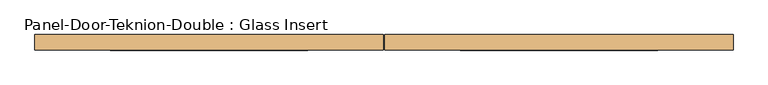
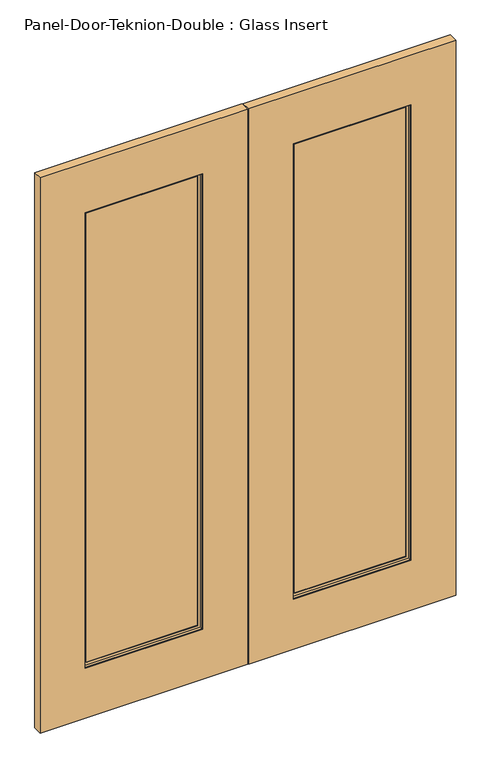
"""IFC4 building model written with IfcOpenShell, lengths in millimetres: door geometry, Panel-Door-Teknion-Double : Glass Insert."""

from ifc_helpers import new_model, si_unit, frame, origin, place, context, project, spatial, polyline, outline, extrude, faceted_brep, source, transform, mapped, element, save


def panel_door_teknion_double_glass_insert_d8b20c53(model_context):
    return source(origin(), model_context, "Body", "SolidModel", [
        extrude(outline(polyline([(2842.4886, -512.7627343), (12.7, -512.7627343), (12.7, 487.3625), (2842.4886, 487.3625), (2842.4886, -512.7627343)]), holes=[polyline([(2588.4886, 271.4625), (266.7, 271.4625), (266.7, -296.8627343), (2588.4886, -296.8627343), (2588.4886, 271.4625)])]), frame((0.0, -22.225, 0.0), z_axis=(0.0, 1.0, 0.0), x_axis=(0.0, 0.0, 1.0)), (0.0, 0.0, 1.0), 44.45),
        extrude(outline(polyline([(2842.4886, 492.4425), (12.7, 492.4425), (12.7, 1492.5677343), (2842.4886, 1492.5677343), (2842.4886, 492.4425)]), holes=[polyline([(2588.4886, 1276.6677343), (266.7, 1276.6677343), (266.7, 708.3425), (2588.4886, 708.3425), (2588.4886, 1276.6677343)])]), frame((0.0, -22.225, 0.0), z_axis=(0.0, 1.0, 0.0), x_axis=(0.0, 0.0, 1.0)), (0.0, 0.0, 1.0), 44.45),
        extrude(outline(polyline([(271.4625, -3.175), (-296.8627343, -3.175), (-296.8627343, 3.175), (271.4625, 3.175), (271.4625, -3.175)])), frame((0.0, 0.0, 266.7), z_axis=(0.0, 0.0, 1.0), x_axis=(1.0, 0.0, 0.0)), (0.0, 0.0, 1.0), 2321.7886),
        extrude(outline(polyline([(1276.6677343, -3.175), (708.3425, -3.175), (708.3425, 3.175), (1276.6677343, 3.175), (1276.6677343, -3.175)])), frame((0.0, 0.0, 266.7), z_axis=(0.0, 0.0, 1.0), x_axis=(1.0, 0.0, 0.0)), (0.0, 0.0, 1.0), 2321.7886),
        faceted_brep([(724.233079, 3.797467, 2572.598021), (724.233079, 3.797467, 282.590579), (724.233079, 6.9755828, 282.590579), (724.233079, 6.9755828, 2572.598021), (1260.7771553, 3.797467, 282.590579), (1260.7771553, 6.9755828, 282.590579), (1273.4896185, 6.9755828, 269.8781158), (711.5206158, 6.9755828, 269.8781158), (711.5206158, 6.9755828, 2585.3104842), (1273.4896185, 6.9755828, 2585.3104842), (1260.7771553, 6.9755828, 2572.598021), (1260.7771553, 3.797467, 2572.598021), (708.3425, 3.797467, 266.7), (1276.6677343, 3.797467, 266.7), (1276.6677343, 3.797467, 2588.4886), (708.3425, 3.797467, 2588.4886), (708.3425, 19.688046, 2588.4886), (708.3425, 19.688046, 266.7), (1276.6677343, 19.688046, 266.7), (1276.6677343, 19.688046, 2588.4886), (711.5206158, 19.688046, 269.8781158), (1273.4896185, 19.688046, 269.8781158), (1273.4896185, 19.688046, 2585.3104842), (711.5206158, 19.688046, 2585.3104842)], [[[0, 1, 2, 3]], [[1, 4, 5, 2]], [[6, 7, 8, 9], [2, 5, 10, 3]], [[4, 11, 10, 5]], [[12, 13, 14, 15], [4, 1, 0, 11]], [[16, 17, 12, 15]], [[17, 18, 13, 12]], [[18, 19, 14, 13]], [[18, 17, 16, 19], [20, 21, 22, 23]], [[8, 7, 20, 23]], [[7, 6, 21, 20]], [[6, 9, 22, 21]], [[11, 0, 3, 10]], [[19, 16, 15, 14]], [[9, 8, 23, 22]]]),
        faceted_brep([(711.5206158, -19.688046, 2585.3104842), (711.5206158, -19.688046, 269.8781158), (711.5206158, -6.9755828, 269.8781158), (711.5206158, -6.9755828, 2585.3104842), (1273.4896185, -19.688046, 269.8781158), (1273.4896185, -6.9755828, 269.8781158), (1273.4896185, -6.9755828, 2585.3104842), (1260.7771553, -6.9755828, 282.590579), (724.233079, -6.9755828, 282.590579), (724.233079, -6.9755828, 2572.598021), (1260.7771553, -6.9755828, 2572.598021), (1273.4896185, -19.688046, 2585.3104842), (708.3425, -19.688046, 266.7), (1276.6677343, -19.688046, 266.7), (1276.6677343, -19.688046, 2588.4886), (708.3425, -19.688046, 2588.4886), (708.3425, -3.797467, 2588.4886), (708.3425, -3.797467, 266.7), (1276.6677343, -3.797467, 266.7), (1276.6677343, -3.797467, 2588.4886), (724.233079, -3.797467, 282.590579), (1260.7771553, -3.797467, 282.590579), (1260.7771553, -3.797467, 2572.598021), (724.233079, -3.797467, 2572.598021)], [[[0, 1, 2, 3]], [[1, 4, 5, 2]], [[2, 5, 6, 3], [7, 8, 9, 10]], [[4, 11, 6, 5]], [[12, 13, 14, 15], [4, 1, 0, 11]], [[16, 17, 12, 15]], [[17, 18, 13, 12]], [[18, 19, 14, 13]], [[18, 17, 16, 19], [20, 21, 22, 23]], [[9, 8, 20, 23]], [[8, 7, 21, 20]], [[7, 10, 22, 21]], [[11, 0, 3, 6]], [[19, 16, 15, 14]], [[10, 9, 23, 22]]]),
        faceted_brep([(-280.9721553, 3.797467, 2572.598021), (-280.9721553, 3.797467, 282.590579), (-280.9721553, 6.9755828, 282.590579), (-280.9721553, 6.9755828, 2572.598021), (255.571921, 3.797467, 282.590579), (255.571921, 6.9755828, 282.590579), (268.2843842, 6.9755828, 269.8781158), (-293.6846185, 6.9755828, 269.8781158), (-293.6846185, 6.9755828, 2585.3104842), (268.2843842, 6.9755828, 2585.3104842), (255.571921, 6.9755828, 2572.598021), (255.571921, 3.797467, 2572.598021), (-296.8627343, 3.797467, 266.7), (271.4625, 3.797467, 266.7), (271.4625, 3.797467, 2588.4886), (-296.8627343, 3.797467, 2588.4886), (-296.8627343, 19.688046, 2588.4886), (-296.8627343, 19.688046, 266.7), (271.4625, 19.688046, 266.7), (271.4625, 19.688046, 2588.4886), (-293.6846185, 19.688046, 269.8781158), (268.2843842, 19.688046, 269.8781158), (268.2843842, 19.688046, 2585.3104842), (-293.6846185, 19.688046, 2585.3104842)], [[[0, 1, 2, 3]], [[1, 4, 5, 2]], [[6, 7, 8, 9], [2, 5, 10, 3]], [[4, 11, 10, 5]], [[12, 13, 14, 15], [4, 1, 0, 11]], [[16, 17, 12, 15]], [[17, 18, 13, 12]], [[18, 19, 14, 13]], [[18, 17, 16, 19], [20, 21, 22, 23]], [[8, 7, 20, 23]], [[7, 6, 21, 20]], [[6, 9, 22, 21]], [[11, 0, 3, 10]], [[19, 16, 15, 14]], [[9, 8, 23, 22]]]),
        faceted_brep([(-293.6846185, -19.688046, 2585.3104842), (-293.6846185, -19.688046, 269.8781158), (-293.6846185, -6.9755828, 269.8781158), (-293.6846185, -6.9755828, 2585.3104842), (268.2843842, -19.688046, 269.8781158), (268.2843842, -6.9755828, 269.8781158), (268.2843842, -6.9755828, 2585.3104842), (255.571921, -6.9755828, 282.590579), (-280.9721553, -6.9755828, 282.590579), (-280.9721553, -6.9755828, 2572.598021), (255.571921, -6.9755828, 2572.598021), (268.2843842, -19.688046, 2585.3104842), (-296.8627343, -19.688046, 266.7), (271.4625, -19.688046, 266.7), (271.4625, -19.688046, 2588.4886), (-296.8627343, -19.688046, 2588.4886), (-296.8627343, -3.797467, 2588.4886), (-296.8627343, -3.797467, 266.7), (271.4625, -3.797467, 266.7), (271.4625, -3.797467, 2588.4886), (-280.9721553, -3.797467, 282.590579), (255.571921, -3.797467, 282.590579), (255.571921, -3.797467, 2572.598021), (-280.9721553, -3.797467, 2572.598021)], [[[0, 1, 2, 3]], [[1, 4, 5, 2]], [[2, 5, 6, 3], [7, 8, 9, 10]], [[4, 11, 6, 5]], [[12, 13, 14, 15], [4, 1, 0, 11]], [[16, 17, 12, 15]], [[17, 18, 13, 12]], [[18, 19, 14, 13]], [[18, 17, 16, 19], [20, 21, 22, 23]], [[9, 8, 20, 23]], [[8, 7, 21, 20]], [[7, 10, 22, 21]], [[11, 0, 3, 6]], [[19, 16, 15, 14]], [[10, 9, 23, 22]]]),
    ])


if __name__ == "__main__":
    model = new_model("IFC4")
    model_context = context("Model", 3, world=origin())
    ifc_project = project(units=[si_unit("LENGTHUNIT", "METRE", prefix="MILLI")], contexts=[model_context])
    site = spatial("IfcSite", under=ifc_project)
    building = spatial("IfcBuilding", under=site)
    placement = place(None, origin())
    panel_door_teknion_double_glass_insert_shape = panel_door_teknion_double_glass_insert_d8b20c53(model_context)
    element("IfcDoor", 1, ObjectType="Panel-Door-Teknion-Double : Glass Insert", at=placement, inside=building, context=model_context, shape_type="MappedRepresentation", body=[
        mapped(panel_door_teknion_double_glass_insert_shape, transform((0.0, 0.0, 0.0), x_axis=(1.0, 0.0, 0.0), y_axis=(0.0, 1.0, 0.0), z_axis=(0.0, 0.0, 1.0))),
    ])
    save(model, "model.ifc")
